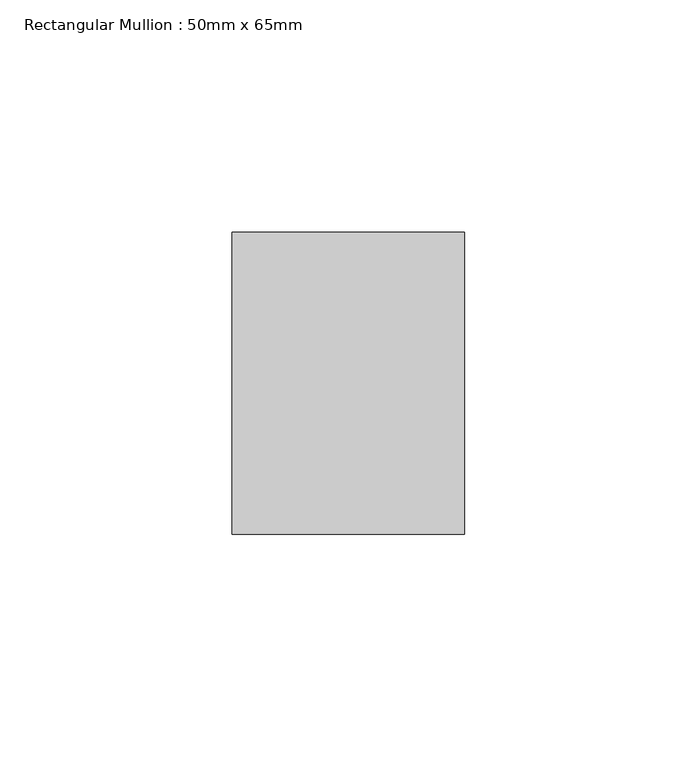
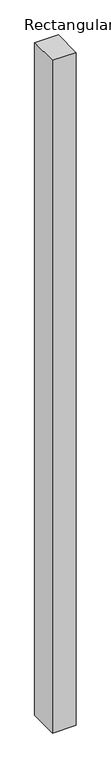
"""IFC4 building model written with IfcOpenShell, lengths in millimetres: member geometry, Rectangular Mullion : 50mm x 65mm."""

from ifc_helpers import new_model, si_unit, origin, place, context, project, spatial, faceted_brep, source, transform, mapped, element, save


def rectangular_mullion_50mm_x_65mm_69fae830(model_context):
    return source(origin(), model_context, "Body", "Brep", [
        faceted_brep([(-25.0, 32.5, -0.0443364), (25.0, 32.5, -0.044336), (25.0, 32.5, -1499.9019092), (-25.0, 32.5, -1499.9019085), (-25.0, -32.5, 0.044336), (-25.0, -32.5, -1500.0980853), (25.0, -32.5, 0.0443364), (25.0, -32.5, -1500.0980861)], [[[0, 1, 2, 3]], [[4, 0, 3, 5]], [[6, 4, 5, 7]], [[1, 6, 7, 2]], [[1, 0, 4, 6]], [[2, 7, 5, 3]]]),
    ])


if __name__ == "__main__":
    model = new_model("IFC4")
    model_context = context("Model", 3, world=origin())
    ifc_project = project(units=[si_unit("LENGTHUNIT", "METRE", prefix="MILLI")], contexts=[model_context])
    site = spatial("IfcSite", under=ifc_project)
    building = spatial("IfcBuilding", under=site)
    placement = place(None, origin())
    rectangular_mullion_50mm_x_65mm_shape = rectangular_mullion_50mm_x_65mm_69fae830(model_context)
    element("IfcMember", 1, ObjectType="Rectangular Mullion : 50mm x 65mm", at=placement, inside=building, context=model_context, shape_type="MappedRepresentation", body=[
        mapped(rectangular_mullion_50mm_x_65mm_shape, transform((0.0, 0.0, 0.0), x_axis=(1.0, 0.0, 0.0), y_axis=(0.0, 1.0, 0.0), z_axis=(0.0, 0.0, 1.0))),
    ])
    save(model, "model.ifc")
